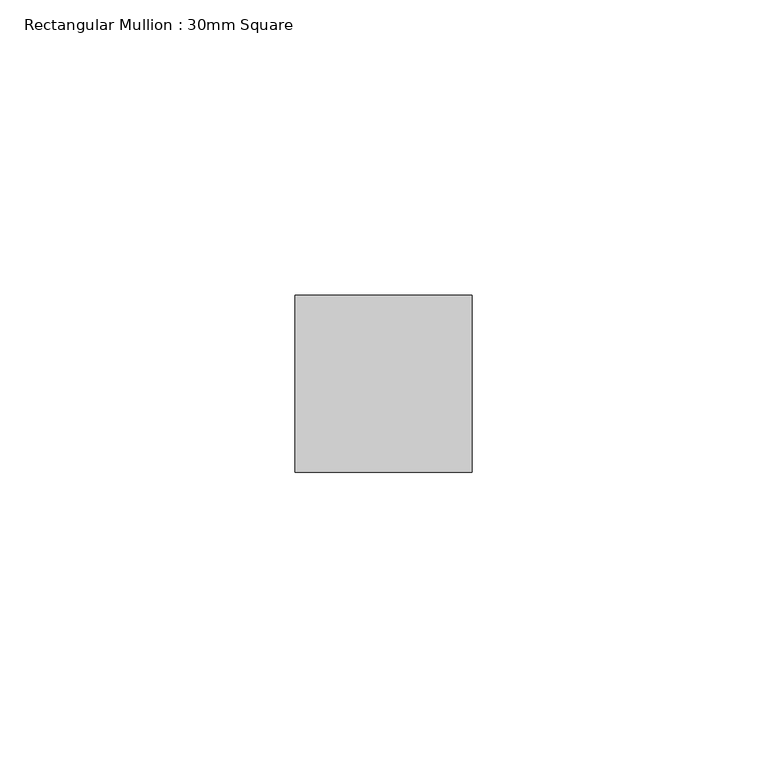
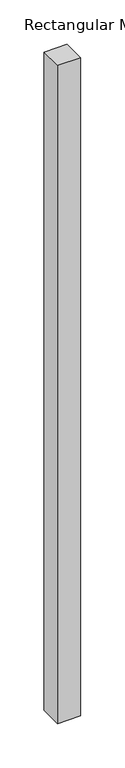
"""IFC4 building model written with IfcOpenShell, lengths in millimetres: member geometry, Rectangular Mullion : 30mm Square."""

from ifc_helpers import new_model, si_unit, frame, origin, place, context, project, spatial, polyline, outline, extrude, source, transform, mapped, element, save


def rectangular_mullion_30mm_square_b9a231ec(model_context):
    return source(origin(), model_context, "Body", "SweptSolid", [
        extrude(outline(polyline([(15.0, 15.0), (15.0, -15.0), (-15.0, -15.0), (-15.0, 15.0), (15.0, 15.0)])), frame((0.0, 0.0, -905.0), z_axis=(0.0, 0.0, 1.0), x_axis=(1.0, 0.0, 0.0)), (0.0, 0.0, 1.0), 905.0),
    ])


if __name__ == "__main__":
    model = new_model("IFC4")
    model_context = context("Model", 3, world=origin())
    ifc_project = project(units=[si_unit("LENGTHUNIT", "METRE", prefix="MILLI")], contexts=[model_context])
    site = spatial("IfcSite", under=ifc_project)
    building = spatial("IfcBuilding", under=site)
    placement = place(None, origin())
    rectangular_mullion_30mm_square_shape = rectangular_mullion_30mm_square_b9a231ec(model_context)
    element("IfcMember", 1, ObjectType="Rectangular Mullion : 30mm Square", at=placement, inside=building, context=model_context, shape_type="MappedRepresentation", body=[
        mapped(rectangular_mullion_30mm_square_shape, transform((0.0, 0.0, 0.0), x_axis=(1.0, 0.0, 0.0), y_axis=(0.0, 1.0, 0.0), z_axis=(0.0, 0.0, 1.0))),
    ])
    save(model, "model.ifc")
